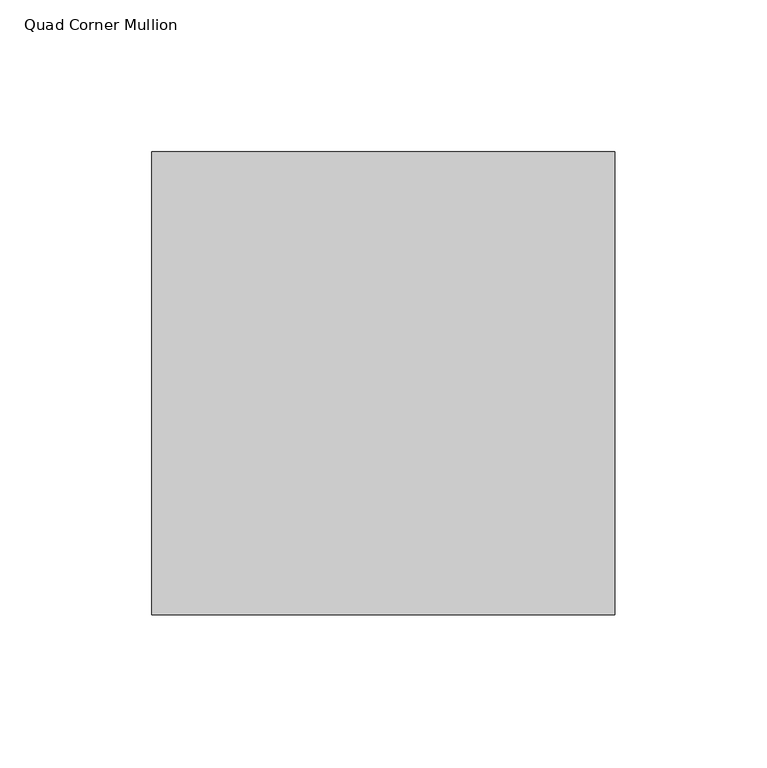
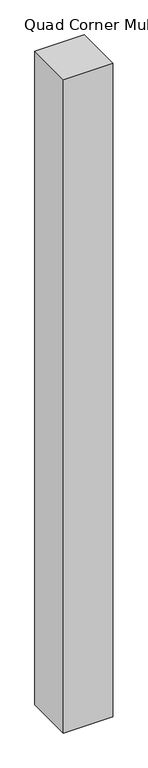
"""IFC4 building model written with IfcOpenShell, lengths in millimetres: member geometry, Quad Corner Mullion."""

import ifcopenshell
import ifcopenshell.guid

model = None  # the IFC model being written
_history = None  # IfcOwnerHistory: only IFC2X3 demands one
_inside = {}  # id of a spatial element -> (the spatial element, [elements in it])
_under = {}  # id of a project, library or spatial element -> (it, [spatial elements below it])
_declared = {}  # id of a project -> (the project, [libraries it declares])
_typed = {}  # id of a type object -> (the type object, [elements of that type])
_made_of = {}  # id of a material, layer set ... -> (it, [elements and type objects made of it])


def new_model(schema):
    """Start an empty IFC model of exactly this schema.

    Asked for "IFC4X3", IfcOpenShell would pick the latest addendum, in which some entities
    have other attributes; the version numbers below select the first issue.
    IFC2X3 requires an IfcOwnerHistory on every rooted entity: one is made here for all.
    """
    global model, _history
    if schema == "IFC4X3":
        model = ifcopenshell.file(schema_version=(4, 3, 0, 0))
    else:
        model = ifcopenshell.file(schema=schema)
    _inside.clear()
    _under.clear()
    _declared.clear()
    _typed.clear()
    _made_of.clear()
    _history = None
    if model.schema == "IFC2X3":
        org = make("IfcOrganization", Name="unknown")
        user = make(
            "IfcPersonAndOrganization",
            ThePerson=make("IfcPerson", FamilyName="unknown"),
            TheOrganization=org,
        )
        app = make(
            "IfcApplication",
            ApplicationDeveloper=org,
            Version="unknown",
            ApplicationFullName="unknown",
            ApplicationIdentifier="unknown",
        )
        _history = make(
            "IfcOwnerHistory",
            OwningUser=user,
            OwningApplication=app,
            ChangeAction="ADDED",
            CreationDate=0,
        )
    return model


def make(cls, **values):
    """One entity of the class cls with the attributes given. An attribute that is None is left unset."""
    return model.create_entity(
        cls, **{name: value for name, value in values.items() if value is not None}
    )


def rooted(cls, **values):
    """An entity with a GlobalId (a new one), such as an element, a storey or a relation."""
    return make(cls, GlobalId=ifcopenshell.guid.new(), OwnerHistory=_history, **values)


def si_unit(unit_type, name, prefix=None):
    """IfcSIUnit, for example si_unit("LENGTHUNIT", "METRE", prefix="MILLI")."""
    return make("IfcSIUnit", UnitType=unit_type, Prefix=prefix, Name=name)


def assignment(units):
    """IfcUnitAssignment: the units of a project."""
    return None if units is None else make("IfcUnitAssignment", Units=units)


def point(xyz):
    """IfcCartesianPoint."""
    return None if xyz is None else make("IfcCartesianPoint", Coordinates=xyz)


def direction(xyz):
    """IfcDirection."""
    return None if xyz is None else make("IfcDirection", DirectionRatios=xyz)


def frame(location, z_axis=None, x_axis=None):
    """IfcAxis2Placement3D, a coordinate frame: its origin and axes. An axis left out is left unset."""
    return make(
        "IfcAxis2Placement3D",
        Location=point(location),
        Axis=direction(z_axis),
        RefDirection=direction(x_axis),
    )


def origin():
    """The frame at (0, 0, 0) with its axes left unset."""
    return frame((0.0, 0.0, 0.0))


def place(relative_to, where):
    """IfcLocalPlacement: puts the frame where relative to a parent placement (None: the world)."""
    return make(
        "IfcLocalPlacement", PlacementRelTo=relative_to, RelativePlacement=where
    )


def context(
    kind, dimensions, precision=None, world=None, true_north=None, identifier=None
):
    """IfcGeometricRepresentationContext, for example the 3D "Model" context."""
    return make(
        "IfcGeometricRepresentationContext",
        ContextIdentifier=identifier,
        ContextType=kind,
        CoordinateSpaceDimension=dimensions,
        Precision=precision,
        WorldCoordinateSystem=world,
        TrueNorth=true_north,
    )


def project(units=None, contexts=None):
    """IfcProject with its units and contexts."""
    return rooted(
        "IfcProject",
        Name="project",
        RepresentationContexts=contexts,
        UnitsInContext=assignment(units),
    )


def spatial(cls, under=None, at=None, **own):
    """A site, building, storey or space (cls), placed at a placement, below another one or the project."""
    s = rooted(cls, ObjectPlacement=at, **own)
    if under is not None:
        _under.setdefault(under.id(), (under, []))[1].append(s)
    return s


def polyline(points):
    """IfcPolyline through the points."""
    return make("IfcPolyline", Points=[point(p) for p in points])


def outline(outer, holes=None, kind="AREA"):
    """IfcArbitraryClosedProfileDef: a profile drawn as a closed curve; with holes, ...WithVoids."""
    if holes is None:
        return make("IfcArbitraryClosedProfileDef", ProfileType=kind, OuterCurve=outer)
    return make(
        "IfcArbitraryProfileDefWithVoids",
        ProfileType=kind,
        OuterCurve=outer,
        InnerCurves=holes,
    )


def extrude(swept, where, along, depth):
    """IfcExtrudedAreaSolid: the profile swept, set in the frame where, extruded along a direction by depth."""
    return make(
        "IfcExtrudedAreaSolid",
        SweptArea=swept,
        Position=where,
        ExtrudedDirection=direction(along),
        Depth=depth,
    )


def shape(context_of_items, identifier, shape_type, items):
    """IfcShapeRepresentation: the items that make up one representation, for example the "Body"."""
    return make(
        "IfcShapeRepresentation",
        ContextOfItems=context_of_items,
        RepresentationIdentifier=identifier,
        RepresentationType=shape_type,
        Items=items,
    )


def source(mapping_origin, context_of_items, identifier, shape_type, items):
    """IfcRepresentationMap: a shape defined once, which mapped items show again and again."""
    return make(
        "IfcRepresentationMap",
        MappingOrigin=mapping_origin,
        MappedRepresentation=shape(context_of_items, identifier, shape_type, items),
    )


def transform(
    local_origin,
    x_axis=None,
    y_axis=None,
    z_axis=None,
    scale=None,
    scale2=None,
    scale3=None,
    uniform=True,
):
    """IfcCartesianTransformationOperator3D, or its non-uniform kind. x_axis, y_axis, z_axis: its Axis1, 2, 3."""
    if uniform:
        return make(
            "IfcCartesianTransformationOperator3D",
            Axis1=direction(x_axis),
            Axis2=direction(y_axis),
            LocalOrigin=point(local_origin),
            Scale=scale,
            Axis3=direction(z_axis),
        )
    return make(
        "IfcCartesianTransformationOperator3DnonUniform",
        Axis1=direction(x_axis),
        Axis2=direction(y_axis),
        LocalOrigin=point(local_origin),
        Scale=scale,
        Axis3=direction(z_axis),
        Scale2=scale2,
        Scale3=scale3,
    )


def mapped(mapping_source, mapping_target):
    """IfcMappedItem: shows the shape of a source again, moved by a transform."""
    return make(
        "IfcMappedItem", MappingSource=mapping_source, MappingTarget=mapping_target
    )


def made_of(thing, what):
    """Note that an element or type object is made of a material, layer set ...; save() writes the relation."""
    if what is not None:
        _made_of.setdefault(what.id(), (what, []))[1].append(thing)
    return thing


def element(
    cls,
    number,
    at=None,
    inside=None,
    cuts=None,
    type_object=None,
    material=None,
    context=None,
    identifier="Body",
    shape_type=None,
    held_by="IfcProductDefinitionShape",
    body=None,
    shapes=None,
    **own,
):
    """One element of the class cls, such as IfcWall. Its Tag is "e" and its number.

    at: its placement. inside: the storey or other place that contains it. cuts: it is an
    opening in that element (IfcRelVoidsElement). A single representation is given by context,
    identifier, shape_type and body (its items); several are given by shapes. held_by: the class
    of the entity that holds the representations. save() writes the other relations.
    """
    e = rooted(cls, Tag="e%d" % number, ObjectPlacement=at, **own)
    if body is not None:
        shapes = [shape(context, identifier, shape_type, body)]
    if shapes is not None:
        e.Representation = make(held_by, Representations=shapes)
    if inside is not None:
        _inside.setdefault(inside.id(), (inside, []))[1].append(e)
    if cuts is not None:
        rooted(
            "IfcRelVoidsElement", RelatingBuildingElement=cuts, RelatedOpeningElement=e
        )
    if type_object is not None:
        _typed.setdefault(type_object.id(), (type_object, []))[1].append(e)
    return made_of(e, material)


def aggregate(whole, parts):
    """IfcRelAggregates: a whole, such as a stair, and the parts it consists of."""
    return rooted("IfcRelAggregates", RelatingObject=whole, RelatedObjects=parts)


def save(model, path):
    """Write the relations noted so far, then the file.

    IfcRelAggregates (storeys below a building ...), IfcRelContainedInSpatialStructure (elements
    in a storey), IfcRelDefinesByType, IfcRelAssociatesMaterial and IfcRelDeclares: one each for
    every whole, place, type object, material and project.
    """
    for whole, parts in _under.values():
        aggregate(whole, parts)
    for where, things in _inside.values():
        rooted(
            "IfcRelContainedInSpatialStructure",
            RelatedElements=things,
            RelatingStructure=where,
        )
    for kind, things in _typed.values():
        rooted("IfcRelDefinesByType", RelatedObjects=things, RelatingType=kind)
    for what, things in _made_of.values():
        rooted("IfcRelAssociatesMaterial", RelatedObjects=things, RelatingMaterial=what)
    for by, libraries in _declared.values():
        rooted("IfcRelDeclares", RelatingContext=by, RelatedDefinitions=libraries)
    model.write(path)


def quad_corner_mullion_1041b458(model_context):
    return source(origin(), model_context, "Body", "SweptSolid", [
        extrude(outline(polyline([(76.2, 76.2), (76.2, -76.2), (-76.2, -76.2), (-76.2, 76.2), (76.2, 76.2)])), frame((0.0, 0.0, -2133.6), z_axis=(0.0, 0.0, 1.0), x_axis=(1.0, 0.0, 0.0)), (0.0, 0.0, 1.0), 2133.6),
    ])


if __name__ == "__main__":
    model = new_model("IFC4")
    model_context = context("Model", 3, world=origin())
    ifc_project = project(units=[si_unit("LENGTHUNIT", "METRE", prefix="MILLI")], contexts=[model_context])
    site = spatial("IfcSite", under=ifc_project)
    building = spatial("IfcBuilding", under=site)
    placement = place(None, origin())
    quad_corner_mullion_shape = quad_corner_mullion_1041b458(model_context)
    element("IfcMember", 1, ObjectType="Quad Corner Mullion", at=placement, inside=building, context=model_context, shape_type="MappedRepresentation", body=[
        mapped(quad_corner_mullion_shape, transform((0.0, 0.0, 0.0), x_axis=(1.0, 0.0, 0.0), y_axis=(0.0, 1.0, 0.0), z_axis=(0.0, 0.0, 1.0))),
    ])
    save(model, "model.ifc")
